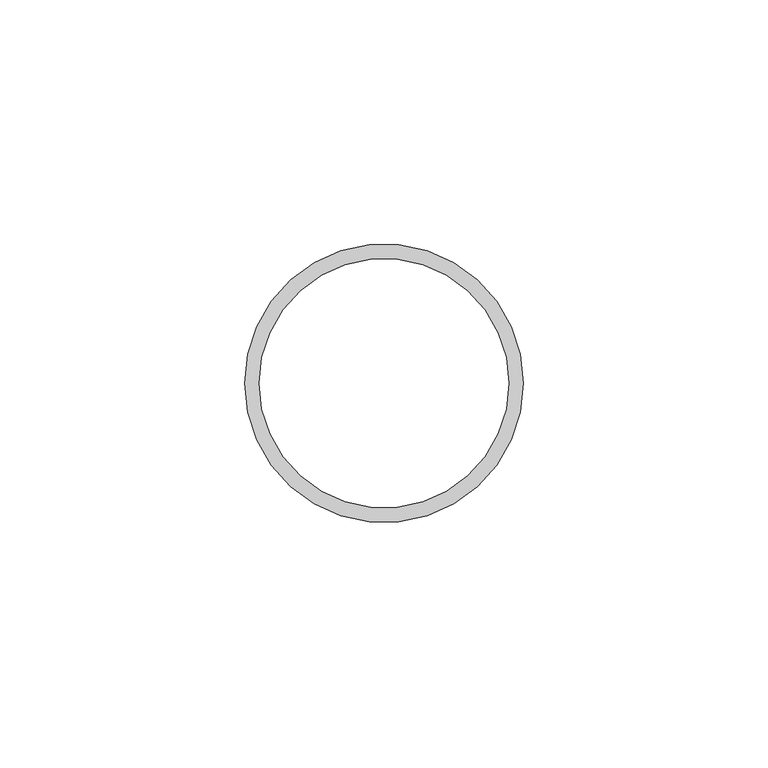
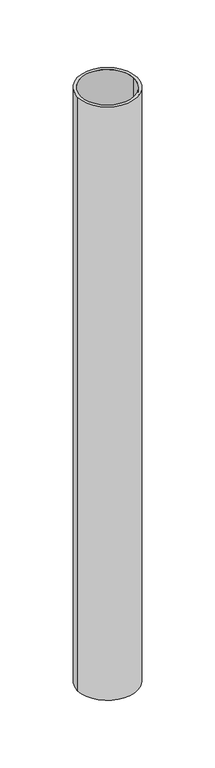
"""IFC4 building model written with IfcOpenShell, lengths in millimetres: beam geometry."""

from ifc_helpers import new_model, si_unit, point, frame, origin, origin_2d, place, context, project, spatial, circle_curve, trimmed, segment, composite_curve, outline, extrude, source, transform, mapped, element, save


def beam_3b823b15(model_context):
    return source(origin(), model_context, "Body", "SweptSolid", [
        extrude(outline(composite_curve([segment(trimmed(circle_curve(origin_2d(), 28.5), [point((28.5, 0.0))], [point((-28.5, 0.0))], False, "CARTESIAN"), True, "CONTINUOUS"), segment(trimmed(circle_curve(origin_2d(), 28.5), [point((-28.5, 0.0))], [point((28.5, 0.0))], False, "CARTESIAN"), True, "CONTINUOUS")], self_intersect=False), holes=[composite_curve([segment(trimmed(circle_curve(origin_2d(), 25.5), [point((25.5, 0.0))], [point((-25.5, 0.0))], True, "CARTESIAN"), True, "CONTINUOUS"), segment(trimmed(circle_curve(origin_2d(), 25.5), [point((-25.5, 0.0))], [point((25.5, 0.0))], True, "CARTESIAN"), True, "CONTINUOUS")], self_intersect=False)]), frame((0.0, 0.0, -600.0), z_axis=(0.0, 0.0, 1.0), x_axis=(1.0, 0.0, 0.0)), (0.0, 0.0, 1.0), 600.0),
    ])


if __name__ == "__main__":
    model = new_model("IFC4")
    model_context = context("Model", 3, world=origin())
    ifc_project = project(units=[si_unit("LENGTHUNIT", "METRE", prefix="MILLI")], contexts=[model_context])
    site = spatial("IfcSite", under=ifc_project)
    building = spatial("IfcBuilding", under=site)
    placement = place(None, origin())
    beam_shape = beam_3b823b15(model_context)
    element("IfcBeam", 1, at=placement, inside=building, context=model_context, shape_type="MappedRepresentation", body=[
        mapped(beam_shape, transform((0.0, 0.0, 0.0), x_axis=(1.0, 0.0, 0.0), y_axis=(0.0, 1.0, 0.0), z_axis=(0.0, 0.0, 1.0))),
    ])
    save(model, "model.ifc")
